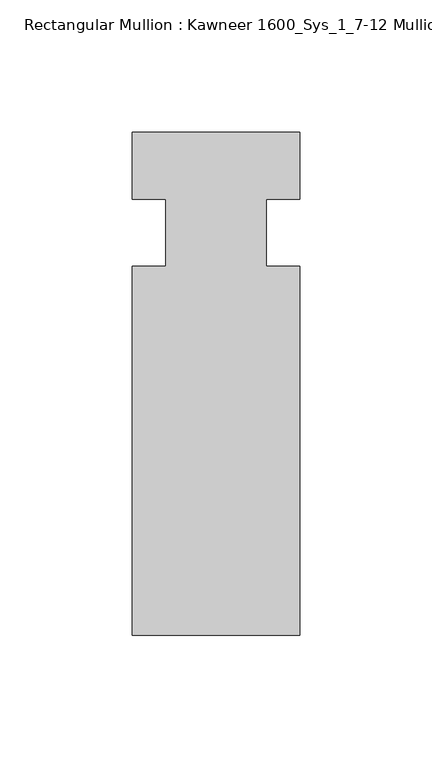
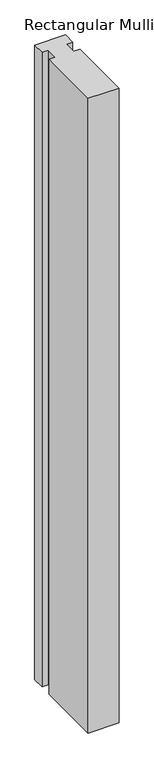
"""IFC4 building model written with IfcOpenShell, lengths in millimetres: member geometry, Rectangular Mullion : Kawneer 1600_Sys_1_7-12 Mullion_Horizontal."""

import ifcopenshell
import ifcopenshell.guid

model = None  # the IFC model being written
_history = None  # IfcOwnerHistory: only IFC2X3 demands one
_inside = {}  # id of a spatial element -> (the spatial element, [elements in it])
_under = {}  # id of a project, library or spatial element -> (it, [spatial elements below it])
_declared = {}  # id of a project -> (the project, [libraries it declares])
_typed = {}  # id of a type object -> (the type object, [elements of that type])
_made_of = {}  # id of a material, layer set ... -> (it, [elements and type objects made of it])


def new_model(schema):
    """Start an empty IFC model of exactly this schema.

    Asked for "IFC4X3", IfcOpenShell would pick the latest addendum, in which some entities
    have other attributes; the version numbers below select the first issue.
    IFC2X3 requires an IfcOwnerHistory on every rooted entity: one is made here for all.
    """
    global model, _history
    if schema == "IFC4X3":
        model = ifcopenshell.file(schema_version=(4, 3, 0, 0))
    else:
        model = ifcopenshell.file(schema=schema)
    _inside.clear()
    _under.clear()
    _declared.clear()
    _typed.clear()
    _made_of.clear()
    _history = None
    if model.schema == "IFC2X3":
        org = make("IfcOrganization", Name="unknown")
        user = make(
            "IfcPersonAndOrganization",
            ThePerson=make("IfcPerson", FamilyName="unknown"),
            TheOrganization=org,
        )
        app = make(
            "IfcApplication",
            ApplicationDeveloper=org,
            Version="unknown",
            ApplicationFullName="unknown",
            ApplicationIdentifier="unknown",
        )
        _history = make(
            "IfcOwnerHistory",
            OwningUser=user,
            OwningApplication=app,
            ChangeAction="ADDED",
            CreationDate=0,
        )
    return model


def make(cls, **values):
    """One entity of the class cls with the attributes given. An attribute that is None is left unset."""
    return model.create_entity(
        cls, **{name: value for name, value in values.items() if value is not None}
    )


def rooted(cls, **values):
    """An entity with a GlobalId (a new one), such as an element, a storey or a relation."""
    return make(cls, GlobalId=ifcopenshell.guid.new(), OwnerHistory=_history, **values)


def si_unit(unit_type, name, prefix=None):
    """IfcSIUnit, for example si_unit("LENGTHUNIT", "METRE", prefix="MILLI")."""
    return make("IfcSIUnit", UnitType=unit_type, Prefix=prefix, Name=name)


def assignment(units):
    """IfcUnitAssignment: the units of a project."""
    return None if units is None else make("IfcUnitAssignment", Units=units)


def point(xyz):
    """IfcCartesianPoint."""
    return None if xyz is None else make("IfcCartesianPoint", Coordinates=xyz)


def direction(xyz):
    """IfcDirection."""
    return None if xyz is None else make("IfcDirection", DirectionRatios=xyz)


def frame(location, z_axis=None, x_axis=None):
    """IfcAxis2Placement3D, a coordinate frame: its origin and axes. An axis left out is left unset."""
    return make(
        "IfcAxis2Placement3D",
        Location=point(location),
        Axis=direction(z_axis),
        RefDirection=direction(x_axis),
    )


def origin():
    """The frame at (0, 0, 0) with its axes left unset."""
    return frame((0.0, 0.0, 0.0))


def place(relative_to, where):
    """IfcLocalPlacement: puts the frame where relative to a parent placement (None: the world)."""
    return make(
        "IfcLocalPlacement", PlacementRelTo=relative_to, RelativePlacement=where
    )


def context(
    kind, dimensions, precision=None, world=None, true_north=None, identifier=None
):
    """IfcGeometricRepresentationContext, for example the 3D "Model" context."""
    return make(
        "IfcGeometricRepresentationContext",
        ContextIdentifier=identifier,
        ContextType=kind,
        CoordinateSpaceDimension=dimensions,
        Precision=precision,
        WorldCoordinateSystem=world,
        TrueNorth=true_north,
    )


def project(units=None, contexts=None):
    """IfcProject with its units and contexts."""
    return rooted(
        "IfcProject",
        Name="project",
        RepresentationContexts=contexts,
        UnitsInContext=assignment(units),
    )


def spatial(cls, under=None, at=None, **own):
    """A site, building, storey or space (cls), placed at a placement, below another one or the project."""
    s = rooted(cls, ObjectPlacement=at, **own)
    if under is not None:
        _under.setdefault(under.id(), (under, []))[1].append(s)
    return s


def polyline(points):
    """IfcPolyline through the points."""
    return make("IfcPolyline", Points=[point(p) for p in points])


def outline(outer, holes=None, kind="AREA"):
    """IfcArbitraryClosedProfileDef: a profile drawn as a closed curve; with holes, ...WithVoids."""
    if holes is None:
        return make("IfcArbitraryClosedProfileDef", ProfileType=kind, OuterCurve=outer)
    return make(
        "IfcArbitraryProfileDefWithVoids",
        ProfileType=kind,
        OuterCurve=outer,
        InnerCurves=holes,
    )


def extrude(swept, where, along, depth):
    """IfcExtrudedAreaSolid: the profile swept, set in the frame where, extruded along a direction by depth."""
    return make(
        "IfcExtrudedAreaSolid",
        SweptArea=swept,
        Position=where,
        ExtrudedDirection=direction(along),
        Depth=depth,
    )


def shape(context_of_items, identifier, shape_type, items):
    """IfcShapeRepresentation: the items that make up one representation, for example the "Body"."""
    return make(
        "IfcShapeRepresentation",
        ContextOfItems=context_of_items,
        RepresentationIdentifier=identifier,
        RepresentationType=shape_type,
        Items=items,
    )


def source(mapping_origin, context_of_items, identifier, shape_type, items):
    """IfcRepresentationMap: a shape defined once, which mapped items show again and again."""
    return make(
        "IfcRepresentationMap",
        MappingOrigin=mapping_origin,
        MappedRepresentation=shape(context_of_items, identifier, shape_type, items),
    )


def transform(
    local_origin,
    x_axis=None,
    y_axis=None,
    z_axis=None,
    scale=None,
    scale2=None,
    scale3=None,
    uniform=True,
):
    """IfcCartesianTransformationOperator3D, or its non-uniform kind. x_axis, y_axis, z_axis: its Axis1, 2, 3."""
    if uniform:
        return make(
            "IfcCartesianTransformationOperator3D",
            Axis1=direction(x_axis),
            Axis2=direction(y_axis),
            LocalOrigin=point(local_origin),
            Scale=scale,
            Axis3=direction(z_axis),
        )
    return make(
        "IfcCartesianTransformationOperator3DnonUniform",
        Axis1=direction(x_axis),
        Axis2=direction(y_axis),
        LocalOrigin=point(local_origin),
        Scale=scale,
        Axis3=direction(z_axis),
        Scale2=scale2,
        Scale3=scale3,
    )


def mapped(mapping_source, mapping_target):
    """IfcMappedItem: shows the shape of a source again, moved by a transform."""
    return make(
        "IfcMappedItem", MappingSource=mapping_source, MappingTarget=mapping_target
    )


def made_of(thing, what):
    """Note that an element or type object is made of a material, layer set ...; save() writes the relation."""
    if what is not None:
        _made_of.setdefault(what.id(), (what, []))[1].append(thing)
    return thing


def element(
    cls,
    number,
    at=None,
    inside=None,
    cuts=None,
    type_object=None,
    material=None,
    context=None,
    identifier="Body",
    shape_type=None,
    held_by="IfcProductDefinitionShape",
    body=None,
    shapes=None,
    **own,
):
    """One element of the class cls, such as IfcWall. Its Tag is "e" and its number.

    at: its placement. inside: the storey or other place that contains it. cuts: it is an
    opening in that element (IfcRelVoidsElement). A single representation is given by context,
    identifier, shape_type and body (its items); several are given by shapes. held_by: the class
    of the entity that holds the representations. save() writes the other relations.
    """
    e = rooted(cls, Tag="e%d" % number, ObjectPlacement=at, **own)
    if body is not None:
        shapes = [shape(context, identifier, shape_type, body)]
    if shapes is not None:
        e.Representation = make(held_by, Representations=shapes)
    if inside is not None:
        _inside.setdefault(inside.id(), (inside, []))[1].append(e)
    if cuts is not None:
        rooted(
            "IfcRelVoidsElement", RelatingBuildingElement=cuts, RelatedOpeningElement=e
        )
    if type_object is not None:
        _typed.setdefault(type_object.id(), (type_object, []))[1].append(e)
    return made_of(e, material)


def aggregate(whole, parts):
    """IfcRelAggregates: a whole, such as a stair, and the parts it consists of."""
    return rooted("IfcRelAggregates", RelatingObject=whole, RelatedObjects=parts)


def save(model, path):
    """Write the relations noted so far, then the file.

    IfcRelAggregates (storeys below a building ...), IfcRelContainedInSpatialStructure (elements
    in a storey), IfcRelDefinesByType, IfcRelAssociatesMaterial and IfcRelDeclares: one each for
    every whole, place, type object, material and project.
    """
    for whole, parts in _under.values():
        aggregate(whole, parts)
    for where, things in _inside.values():
        rooted(
            "IfcRelContainedInSpatialStructure",
            RelatedElements=things,
            RelatingStructure=where,
        )
    for kind, things in _typed.values():
        rooted("IfcRelDefinesByType", RelatedObjects=things, RelatingType=kind)
    for what, things in _made_of.values():
        rooted("IfcRelAssociatesMaterial", RelatedObjects=things, RelatingMaterial=what)
    for by, libraries in _declared.values():
        rooted("IfcRelDeclares", RelatingContext=by, RelatedDefinitions=libraries)
    model.write(path)


def rectangular_mullion_kawneer_1600_sys_1_7_12_mullion_175ba301(model_context):
    return source(origin(), model_context, "Body", "SweptSolid", [
        extrude(outline(polyline([(31.75, -152.4), (-31.75, -152.4), (-31.75, -12.7), (-19.05, -12.7), (-19.05, 12.7), (-31.75, 12.7), (-31.75, 38.1), (31.75, 38.1), (31.75, 12.7), (19.0482296, 12.7), (19.0482296, -12.7), (31.75, -12.7), (31.75, -152.4)])), frame((0.0, 0.0, -1377.95), z_axis=(0.0, 0.0, 1.0), x_axis=(1.0, 0.0, 0.0)), (0.0, 0.0, 1.0), 1377.95),
    ])


if __name__ == "__main__":
    model = new_model("IFC4")
    model_context = context("Model", 3, world=origin())
    ifc_project = project(units=[si_unit("LENGTHUNIT", "METRE", prefix="MILLI")], contexts=[model_context])
    site = spatial("IfcSite", under=ifc_project)
    building = spatial("IfcBuilding", under=site)
    placement = place(None, origin())
    rectangular_mullion_kawneer_1600_sys_1_7_12_mullion_shape = rectangular_mullion_kawneer_1600_sys_1_7_12_mullion_175ba301(model_context)
    element("IfcMember", 1, ObjectType="Rectangular Mullion : Kawneer 1600_Sys_1_7-12 Mullion_Horizontal", at=placement, inside=building, context=model_context, shape_type="MappedRepresentation", body=[
        mapped(rectangular_mullion_kawneer_1600_sys_1_7_12_mullion_shape, transform((0.0, 0.0, 0.0), x_axis=(1.0, 0.0, 0.0), y_axis=(0.0, 1.0, 0.0), z_axis=(0.0, 0.0, 1.0))),
    ])
    save(model, "model.ifc")
